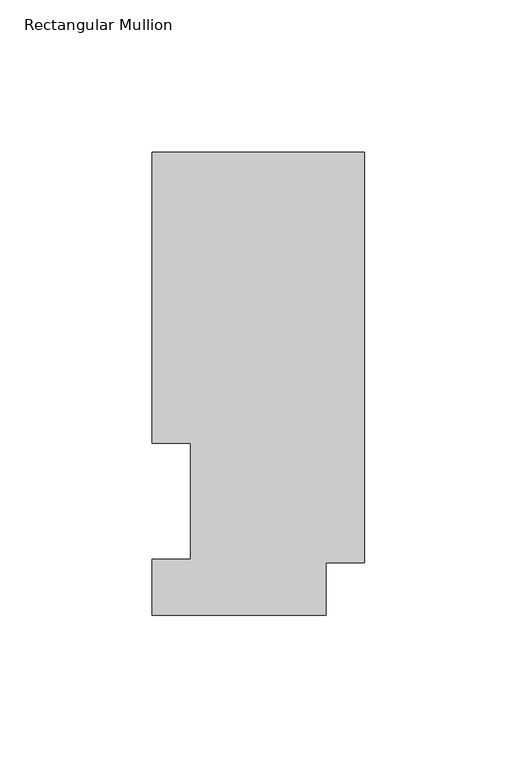
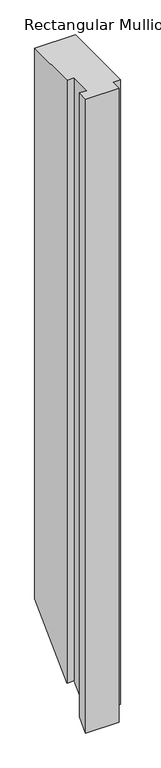
"""IFC4 building model written with IfcOpenShell, lengths in millimetres: member geometry, Rectangular Mullion."""

from ifc_helpers import new_model, si_unit, origin, place, context, project, spatial, faceted_brep, source, transform, mapped, element, save


def rectangular_mullion_d5b7e3c3(model_context):
    return source(origin(), model_context, "Body", "Brep", [
        faceted_brep([(0.0, 151.98725, 0.0), (-69.85, 151.98725, 0.0), (-69.85, 56.35625, 0.0), (-57.15, 56.35625, 0.0), (-57.15, 18.25625, 0.0), (-69.85, 18.25625, 0.0), (-69.85, -0.03175, 0.0), (-12.7, -0.03175, 0.0), (-12.7, 17.2502496, 0.0), (0.0, 17.2502496, 0.0), (0.0, 151.98725, -1000.4806), (-69.85, 151.98725, -1000.4806), (-69.85, 56.35625, -1096.1116), (-57.15, 56.35625, -1096.1116), (-57.15, 18.25625, -1134.2116), (-69.85, 18.25625, -1134.2116), (-69.85, -0.03175, -1152.4996), (-12.7, -0.03175, -1152.4996), (-12.7, 17.2502496, -1135.2176004), (0.0, 17.2502496, -1135.2176004)], [[[0, 1, 2, 3, 4, 5, 6, 7, 8, 9]], [[1, 0, 10, 11]], [[2, 1, 11, 12]], [[3, 2, 12, 13]], [[4, 3, 13, 14]], [[5, 4, 14, 15]], [[6, 5, 15, 16]], [[7, 6, 16, 17]], [[8, 7, 17, 18]], [[9, 8, 18, 19]], [[0, 9, 19, 10]], [[10, 19, 18, 17, 16, 15, 14, 13, 12, 11]]]),
    ])


if __name__ == "__main__":
    model = new_model("IFC4")
    model_context = context("Model", 3, world=origin())
    ifc_project = project(units=[si_unit("LENGTHUNIT", "METRE", prefix="MILLI")], contexts=[model_context])
    site = spatial("IfcSite", under=ifc_project)
    building = spatial("IfcBuilding", under=site)
    placement = place(None, origin())
    rectangular_mullion_shape = rectangular_mullion_d5b7e3c3(model_context)
    element("IfcMember", 1, ObjectType="Rectangular Mullion", at=placement, inside=building, context=model_context, shape_type="MappedRepresentation", body=[
        mapped(rectangular_mullion_shape, transform((0.0, 0.0, 0.0), x_axis=(1.0, 0.0, 0.0), y_axis=(0.0, 1.0, 0.0), z_axis=(0.0, 0.0, 1.0))),
    ])
    save(model, "model.ifc")
